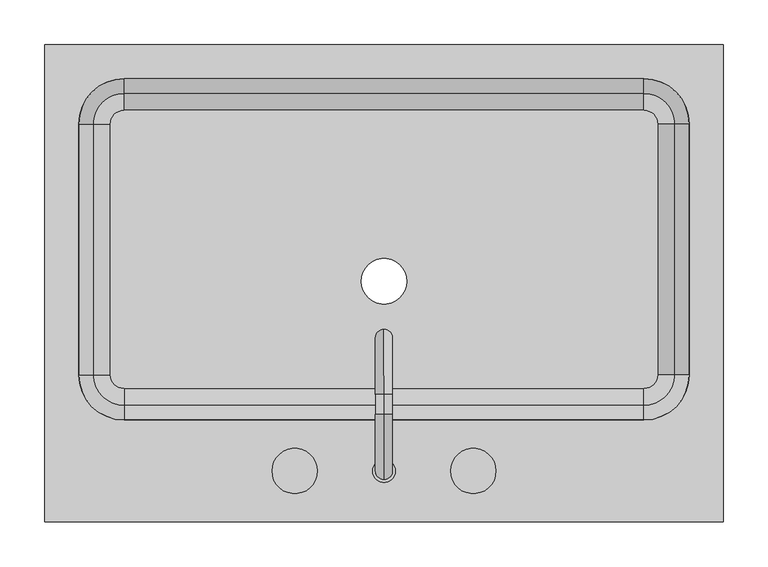
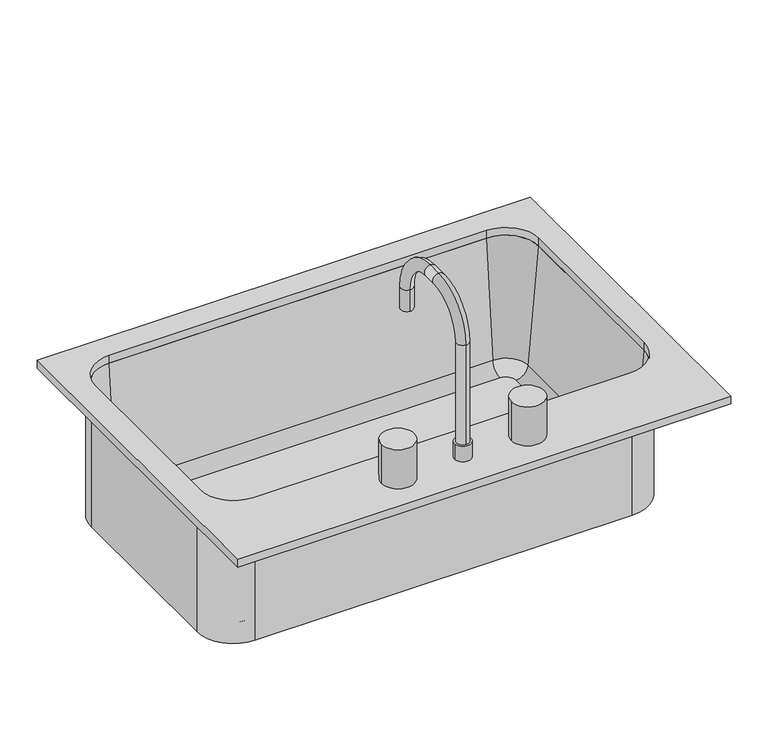
"""IFC4 building model written with IfcOpenShell, lengths in millimetres: flow terminal geometry."""

from ifc_helpers import new_model, si_unit, point, frame, frame_2d, origin, place, context, project, spatial, polyline, circle_curve, ellipse_curve, trimmed, segment, composite_curve, outline, extrude, source, transform, mapped, element, save
from ifc_brep_helpers import plane_surface, cylinder_surface, revolved_surface, advanced_brep


def flow_terminal_b3a6edb1(model_context):
    return source(origin(), model_context, "Body", "SolidModel", [
        advanced_brep(
        [(363.9392406, -104.7454011, 684.1), (363.9392406, -104.7454011, 900.0), (306.7892406, -161.8954011, 900.0), (306.7892406, -161.8954011, 684.1), (-275.4107594, -161.8954011, 684.1), (-332.5607594, -104.7454011, 684.1), (-332.5607594, 176.2545989, 684.1), (-275.4107594, 233.4045989, 684.1), (306.7892406, 233.4045989, 684.1), (363.9392406, 176.2545989, 684.1), (-9.7107594, 0.0, 684.1), (41.0892406, 0.0, 684.1), (322.0776588, -104.7454011, 693.625), (322.0776588, 176.2545989, 693.625), (306.7892406, 191.5430171, 693.625), (-275.4107594, 191.5430171, 693.625), (-290.6991776, 176.2545989, 693.625), (-290.6991776, -104.7454011, 693.625), (-275.4107594, -120.0338193, 693.625), (306.7892406, -120.0338193, 693.625), (-9.7107594, 0.0, 693.625), (41.0892406, 0.0, 693.625), (306.7892406, -139.0113283, 711.0146831), (341.0551678, -104.7454011, 711.0146831), (306.7892406, -155.5454011, 900.0), (357.5892406, -104.7454011, 900.0), (363.9392406, 176.2545989, 900.0), (341.0551678, 176.2545989, 711.0146831), (357.5892406, 176.2545989, 900.0), (306.7892406, 233.4045989, 900.0), (306.7892406, 210.5205261, 711.0146831), (306.7892406, 227.0545989, 900.0), (-275.4107594, 233.4045989, 900.0), (-275.4107594, 210.5205261, 711.0146831), (-275.4107594, 227.0545989, 900.0), (-332.5607594, 176.2545989, 900.0), (-309.6766866, 176.2545989, 711.0146831), (-326.2107594, 176.2545989, 900.0), (-332.5607594, -104.7454011, 900.0), (-309.6766866, -104.7454011, 711.0146831), (-326.2107594, -104.7454011, 900.0), (-275.4107594, -161.8954011, 900.0), (-275.4107594, -139.0113283, 711.0146831), (-275.4107594, -155.5454011, 900.0)],
        [
            (0, 1),
            (1, 2, circle_curve(frame((306.7892406, -104.7454011, 900.0), z_axis=(0.0, 0.0, -1.0), x_axis=(0.0, -1.0, 0.0)), 57.15)),
            (2, 3),
            (3, 0, circle_curve(frame((306.7892406, -104.7454011, 684.1), z_axis=(0.0, 0.0, 1.0), x_axis=(0.0, -1.0, 0.0)), 57.15)),
            (3, 4),
            (4, 5, circle_curve(frame((-275.4107594, -104.7454011, 684.1), z_axis=(0.0, 0.0, -1.0), x_axis=(-1.0, 0.0, 0.0)), 57.15)),
            (5, 6),
            (6, 7, circle_curve(frame((-275.4107594, 176.2545989, 684.1), z_axis=(0.0, 0.0, -1.0), x_axis=(0.0, 1.0, 0.0)), 57.15)),
            (7, 8),
            (8, 9, circle_curve(frame((306.7892406, 176.2545989, 684.1), z_axis=(0.0, 0.0, -1.0), x_axis=(1.0, 0.0, 0.0)), 57.15)),
            (9, 0),
            (10, 11, circle_curve(frame((15.6892406, 0.0, 684.1), z_axis=(0.0, 0.0, 1.0), x_axis=(1.0, 0.0, 0.0)), 25.4)),
            (11, 10, circle_curve(frame((15.6892406, 0.0, 684.1), z_axis=(0.0, 0.0, 1.0), x_axis=(1.0, 0.0, 0.0)), 25.4)),
            (12, 13),
            (13, 14, circle_curve(frame((306.7892406, 176.2545989, 693.625), z_axis=(0.0, 0.0, 1.0), x_axis=(1.0, 0.0, 0.0)), 15.2884182)),
            (14, 15),
            (15, 16, circle_curve(frame((-275.4107594, 176.2545989, 693.625), z_axis=(0.0, 0.0, 1.0), x_axis=(0.0, 1.0, 0.0)), 15.2884182)),
            (16, 17),
            (17, 18, circle_curve(frame((-275.4107594, -104.7454011, 693.625), z_axis=(0.0, 0.0, 1.0), x_axis=(-1.0, 0.0, 0.0)), 15.2884182)),
            (18, 19),
            (19, 12, circle_curve(frame((306.7892406, -104.7454011, 693.625), z_axis=(0.0, 0.0, 1.0), x_axis=(0.0, -1.0, 0.0)), 15.2884182)),
            (20, 21, circle_curve(frame((15.6892406, 0.0, 693.625), z_axis=(0.0, 0.0, -1.0), x_axis=(1.0, 0.0, 0.0)), 25.4)),
            (21, 20, circle_curve(frame((15.6892406, 0.0, 693.625), z_axis=(0.0, 0.0, -1.0), x_axis=(1.0, 0.0, 0.0)), 25.4)),
            (19, 22, circle_curve(frame((306.7892406, -120.0338193, 712.675), z_axis=(-1.0, 0.0, 0.0), x_axis=(0.0, -1.0, 0.0)), 19.05)),
            (22, 23, circle_curve(frame((306.7892406, -104.7454011, 711.0146831), z_axis=(0.0, 0.0, 1.0), x_axis=(0.0, -1.0, 0.0)), 34.2659272)),
            (23, 12, circle_curve(frame((322.0776588, -104.7454011, 712.675), z_axis=(0.0, 1.0, 0.0), x_axis=(1.0, 0.0, 0.0)), 19.05)),
            (22, 24),
            (24, 25, circle_curve(frame((306.7892406, -104.7454011, 900.0), z_axis=(0.0, 0.0, 1.0), x_axis=(0.0, -1.0, 0.0)), 50.8)),
            (25, 23),
            (1, 25),
            (24, 2),
            (9, 26),
            (26, 1),
            (23, 27),
            (27, 13, circle_curve(frame((322.0776588, 176.2545989, 712.675), z_axis=(0.0, 1.0, 0.0), x_axis=(1.0, 0.0, 0.0)), 19.05)),
            (25, 28),
            (28, 27),
            (26, 28),
            (8, 29),
            (29, 26, circle_curve(frame((306.7892406, 176.2545989, 900.0), z_axis=(0.0, 0.0, -1.0), x_axis=(1.0, 0.0, 0.0)), 57.15)),
            (27, 30, circle_curve(frame((306.7892406, 176.2545989, 711.0146831), z_axis=(0.0, 0.0, 1.0), x_axis=(1.0, 0.0, 0.0)), 34.2659272)),
            (30, 14, circle_curve(frame((306.7892406, 191.5430171, 712.675), z_axis=(-1.0, 0.0, 0.0), x_axis=(0.0, 1.0, 0.0)), 19.05)),
            (28, 31, circle_curve(frame((306.7892406, 176.2545989, 900.0), z_axis=(0.0, 0.0, 1.0), x_axis=(1.0, 0.0, 0.0)), 50.8)),
            (31, 30),
            (29, 31),
            (7, 32),
            (32, 29),
            (30, 33),
            (33, 15, circle_curve(frame((-275.4107594, 191.5430171, 712.675), z_axis=(-1.0, 0.0, 0.0), x_axis=(0.0, 1.0, 0.0)), 19.05)),
            (31, 34),
            (34, 33),
            (32, 34),
            (6, 35),
            (35, 32, circle_curve(frame((-275.4107594, 176.2545989, 900.0), z_axis=(0.0, 0.0, -1.0), x_axis=(0.0, 1.0, 0.0)), 57.15)),
            (33, 36, circle_curve(frame((-275.4107594, 176.2545989, 711.0146831), z_axis=(0.0, 0.0, 1.0), x_axis=(0.0, 1.0, 0.0)), 34.2659272)),
            (36, 16, circle_curve(frame((-290.6991776, 176.2545989, 712.675), z_axis=(0.0, -1.0, 0.0), x_axis=(-1.0, 0.0, 0.0)), 19.05)),
            (34, 37, circle_curve(frame((-275.4107594, 176.2545989, 900.0), z_axis=(0.0, 0.0, 1.0), x_axis=(0.0, 1.0, 0.0)), 50.8)),
            (37, 36),
            (35, 37),
            (5, 38),
            (38, 35),
            (36, 39),
            (39, 17, circle_curve(frame((-290.6991776, -104.7454011, 712.675), z_axis=(0.0, -1.0, 0.0), x_axis=(-1.0, 0.0, 0.0)), 19.05)),
            (37, 40),
            (40, 39),
            (38, 40),
            (4, 41),
            (41, 38, circle_curve(frame((-275.4107594, -104.7454011, 900.0), z_axis=(0.0, 0.0, -1.0), x_axis=(-1.0, 0.0, 0.0)), 57.15)),
            (39, 42, circle_curve(frame((-275.4107594, -104.7454011, 711.0146831), z_axis=(0.0, 0.0, 1.0), x_axis=(-1.0, 0.0, 0.0)), 34.2659272)),
            (42, 18, circle_curve(frame((-275.4107594, -120.0338193, 712.675), z_axis=(1.0, 0.0, 0.0), x_axis=(0.0, -1.0, 0.0)), 19.05)),
            (40, 43, circle_curve(frame((-275.4107594, -104.7454011, 900.0), z_axis=(0.0, 0.0, 1.0), x_axis=(-1.0, 0.0, 0.0)), 50.8)),
            (43, 42),
            (41, 43),
            (2, 41),
            (42, 22),
            (43, 24),
            (21, 11),
            (10, 20),
        ],
        [
            cylinder_surface(frame((306.7892406, -104.7454011, 0.0), z_axis=(0.0, 0.0, -1.0), x_axis=(0.0, -1.0, 0.0)), 57.15),
            plane_surface(frame((306.7892406, -104.7454011, 684.1), z_axis=(0.0, 0.0, -1.0), x_axis=(0.0, -1.0, 0.0))),
            plane_surface(frame((306.7892406, -104.7454011, 693.625), z_axis=(0.0, 0.0, 1.0), x_axis=(0.0, -1.0, 0.0))),
            revolved_surface(trimmed(ellipse_curve(frame((306.7892406, -120.0338193, 712.675), z_axis=(-1.0, 0.0, 0.0), x_axis=(0.0, -1.0, 0.0)), 19.05, 19.05), [point((306.7892406, -120.0338193, 693.625))], [point((306.7892406, -139.0113283, 711.0146831))], True, "CARTESIAN"), (306.7892406, -104.7454011, 0.0), (0.0, 0.0, -1.0)),
            revolved_surface(polyline([(306.7892406, -139.0113283, 711.0146831), (306.7892406, -155.5454011, 900.0)]), (306.7892406, -104.7454011, 0.0), (0.0, 0.0, -1.0)),
            plane_surface(frame((306.7892406, -104.7454011, 900.0), z_axis=(0.0, 0.0, 1.0), x_axis=(0.0, -1.0, 0.0))),
            plane_surface(frame((363.9392406, -104.7454011, 900.0), z_axis=(1.0, 0.0, 0.0), x_axis=(0.0, 1.0, 0.0))),
            revolved_surface(polyline([(341.1276588, 176.25459890000002, 712.675), (341.1276588, -104.7454011, 712.675)]), (322.0776588, -104.7454011, 712.675), (0.0, 1.0, 0.0)),
            plane_surface(frame((341.0551678, -104.7454011, 711.0146831), z_axis=(-0.9961946980917443, 0.0, 0.08715574274767235), x_axis=(0.0, 1.0, 0.0))),
            plane_surface(frame((357.5892406, -104.7454011, 900.0), z_axis=(0.0, 0.0, 1.0), x_axis=(0.0, 1.0, 0.0))),
            cylinder_surface(frame((306.7892406, 176.2545989, 0.0), z_axis=(0.0, 0.0, -1.0), x_axis=(1.0, 0.0, 0.0)), 57.15),
            revolved_surface(trimmed(ellipse_curve(frame((322.0776588, 176.2545989, 712.675), z_axis=(0.0, -1.0, 0.0), x_axis=(1.0, 0.0, 0.0)), 19.05, 19.05), [point((322.0776588, 176.2545989, 693.625))], [point((341.0551678, 176.2545989, 711.0146831))], True, "CARTESIAN"), (306.7892406, 176.2545989, 0.0), (0.0, 0.0, -1.0)),
            revolved_surface(polyline([(341.0551678, 176.2545989, 711.0146831), (357.5892406, 176.2545989, 900.0)]), (306.7892406, 176.2545989, 0.0), (0.0, 0.0, -1.0)),
            plane_surface(frame((306.7892406, 176.2545989, 900.0), z_axis=(0.0, 0.0, 1.0), x_axis=(1.0, 0.0, 0.0))),
            plane_surface(frame((306.7892406, 233.4045989, 900.0), z_axis=(0.0, 1.0, 0.0), x_axis=(-1.0, 0.0, 0.0))),
            revolved_surface(polyline([(-275.4107594, 210.5930171, 712.675), (306.7892406, 210.5930171, 712.675)]), (306.7892406, 191.5430171, 712.675), (-1.0, 0.0, 0.0)),
            plane_surface(frame((306.7892406, 210.5205261, 711.0146831), z_axis=(0.0, -0.9961946980917443, 0.08715574274767235), x_axis=(-1.0, 0.0, 0.0))),
            plane_surface(frame((306.7892406, 227.0545989, 900.0), z_axis=(0.0, 0.0, 1.0), x_axis=(-1.0, 0.0, 0.0))),
            cylinder_surface(frame((-275.4107594, 176.2545989, 0.0), z_axis=(0.0, 0.0, -1.0), x_axis=(0.0, 1.0, 0.0)), 57.15),
            revolved_surface(trimmed(ellipse_curve(frame((-275.4107594, 191.5430171, 712.675), z_axis=(1.0, 0.0, 0.0), x_axis=(0.0, 1.0, 0.0)), 19.05, 19.05), [point((-275.4107594, 191.5430171, 693.625))], [point((-275.4107594, 210.5205261, 711.0146831))], True, "CARTESIAN"), (-275.4107594, 176.2545989, 0.0), (0.0, 0.0, -1.0)),
            revolved_surface(polyline([(-275.4107594, 210.5205261, 711.0146831), (-275.4107594, 227.0545989, 900.0)]), (-275.4107594, 176.2545989, 0.0), (0.0, 0.0, -1.0)),
            plane_surface(frame((-275.4107594, 176.2545989, 900.0), z_axis=(0.0, 0.0, 1.0), x_axis=(0.0, 1.0, 0.0))),
            plane_surface(frame((-332.5607594, 176.2545989, 900.0), z_axis=(-1.0, 0.0, 0.0), x_axis=(0.0, -1.0, 0.0))),
            revolved_surface(polyline([(-309.7491776, -104.74540110000001, 712.675), (-309.7491776, 176.2545989, 712.675)]), (-290.6991776, 176.2545989, 712.675), (0.0, -1.0, 0.0)),
            plane_surface(frame((-309.6766866, 176.2545989, 711.0146831), z_axis=(0.9961946980917443, 0.0, 0.08715574274767235), x_axis=(0.0, -1.0, 0.0))),
            plane_surface(frame((-326.2107594, 176.2545989, 900.0), z_axis=(0.0, 0.0, 1.0), x_axis=(0.0, -1.0, 0.0))),
            cylinder_surface(frame((-275.4107594, -104.7454011, 0.0), z_axis=(0.0, 0.0, -1.0), x_axis=(-1.0, 0.0, 0.0)), 57.15),
            revolved_surface(trimmed(ellipse_curve(frame((-290.6991776, -104.7454011, 712.675), z_axis=(0.0, 1.0, 0.0), x_axis=(-1.0, 0.0, 0.0)), 19.05, 19.05), [point((-290.6991776, -104.7454011, 693.625))], [point((-309.6766866, -104.7454011, 711.0146831))], True, "CARTESIAN"), (-275.4107594, -104.7454011, 0.0), (0.0, 0.0, -1.0)),
            revolved_surface(polyline([(-309.6766866, -104.7454011, 711.0146831), (-326.2107594, -104.7454011, 900.0)]), (-275.4107594, -104.7454011, 0.0), (0.0, 0.0, -1.0)),
            plane_surface(frame((-275.4107594, -104.7454011, 900.0), z_axis=(0.0, 0.0, 1.0), x_axis=(-1.0, 0.0, 0.0))),
            plane_surface(frame((-275.4107594, -161.8954011, 900.0), z_axis=(0.0, -1.0, 0.0), x_axis=(1.0, 0.0, 0.0))),
            revolved_surface(polyline([(306.7892406, -139.08381930000002, 712.675), (-275.4107594, -139.08381930000002, 712.675)]), (-275.4107594, -120.0338193, 712.675), (1.0, 0.0, 0.0)),
            plane_surface(frame((-275.4107594, -139.0113283, 711.0146831), z_axis=(0.0, 0.9961946980917443, 0.08715574274767235), x_axis=(1.0, 0.0, 0.0))),
            plane_surface(frame((-275.4107594, -155.5454011, 900.0), z_axis=(0.0, 0.0, 1.0), x_axis=(1.0, 0.0, 0.0))),
            revolved_surface(polyline([(41.0892406, 0.0, 684.1), (41.0892406, 0.0, 693.625)]), (15.6892406, 0.0, 0.0), (0.0, 0.0, -1.0)),
        ],
        [
            (0, [[1, 2, 3, 4]]),
            (1, [[5, 6, 7, 8, 9, 10, 11, -4], [12, 13]]),
            (2, [[14, 15, 16, 17, 18, 19, 20, 21], [22, 23]]),
            (3, [[24, 25, 26, -21]]),
            (4, [[27, 28, 29, -25]]),
            (5, [[30, -28, 31, -2]]),
            (6, [[-11, 32, 33, -1]]),
            (7, [[34, 35, -14, -26]]),
            (8, [[36, 37, -34, -29]]),
            (9, [[-33, 38, -36, -30]]),
            (10, [[-10, 39, 40, -32]]),
            (11, [[41, 42, -15, -35]]),
            (12, [[43, 44, -41, -37]]),
            (13, [[-40, 45, -43, -38]]),
            (14, [[-9, 46, 47, -39]]),
            (15, [[48, 49, -16, -42]]),
            (16, [[50, 51, -48, -44]]),
            (17, [[-47, 52, -50, -45]]),
            (18, [[-8, 53, 54, -46]]),
            (19, [[55, 56, -17, -49]]),
            (20, [[57, 58, -55, -51]]),
            (21, [[-54, 59, -57, -52]]),
            (22, [[-7, 60, 61, -53]]),
            (23, [[62, 63, -18, -56]]),
            (24, [[64, 65, -62, -58]]),
            (25, [[-61, 66, -64, -59]]),
            (26, [[-6, 67, 68, -60]]),
            (27, [[69, 70, -19, -63]]),
            (28, [[71, 72, -69, -65]]),
            (29, [[-68, 73, -71, -66]]),
            (30, [[74, -67, -5, -3]]),
            (31, [[-20, -70, 75, -24]]),
            (32, [[-75, -72, 76, -27]]),
            (33, [[-76, -73, -74, -31]]),
            (34, [[77, -12, 78, -23]]),
            (34, [[-78, -13, -77, -22]]),
        ],
    ),
        advanced_brep(
        [(2.9892406, -212.6954011, 938.1), (28.3892406, -212.6954011, 938.1), (15.6892406, -222.2204011, 938.1), (15.6892406, -203.1704011, 938.1), (2.9892406, -212.6954011, 912.7), (28.3892406, -212.6954011, 912.7), (15.6892406, -222.2204011, 1100.025), (15.6892406, -203.1704011, 1100.025), (15.6892406, -149.1954011, 1154.0), (15.6892406, -149.1954011, 1173.05), (15.6892406, -126.9704011, 1154.0), (15.6892406, -126.9704011, 1173.05), (15.6892406, -72.9954011, 1100.025), (15.6892406, -53.9454011, 1100.025), (15.6892406, -53.9454011, 1065.1), (15.6892406, -72.9954011, 1065.1)],
        [
            (0, 1, circle_curve(frame((15.6892406, -212.6954011, 938.1), z_axis=(0.0, 0.0, 1.0), x_axis=(1.0, 0.0, 0.0)), 12.7)),
            (1, 0, circle_curve(frame((15.6892406, -212.6954011, 938.1), z_axis=(0.0, 0.0, 1.0), x_axis=(1.0, 0.0, 0.0)), 12.7)),
            (2, 3, circle_curve(frame((15.6892406, -212.6954011, 938.1), z_axis=(0.0, 0.0, -1.0), x_axis=(0.0, 1.0, 0.0)), 9.525)),
            (3, 2, circle_curve(frame((15.6892406, -212.6954011, 938.1), z_axis=(0.0, 0.0, -1.0), x_axis=(0.0, 1.0, 0.0)), 9.525)),
            (4, 5, circle_curve(frame((15.6892406, -212.6954011, 912.7), z_axis=(0.0, 0.0, -1.0), x_axis=(1.0, 0.0, 0.0)), 12.7)),
            (5, 4, circle_curve(frame((15.6892406, -212.6954011, 912.7), z_axis=(0.0, 0.0, -1.0), x_axis=(1.0, 0.0, 0.0)), 12.7)),
            (1, 5),
            (4, 0),
            (6, 2),
            (3, 7),
            (7, 6, circle_curve(frame((15.6892406, -212.6954011, 1100.025), z_axis=(0.0, 0.0, -1.0), x_axis=(0.0, 1.0, 0.0)), 9.525)),
            (6, 7, circle_curve(frame((15.6892406, -212.6954011, 1100.025), z_axis=(0.0, 0.0, -1.0), x_axis=(0.0, 1.0, 0.0)), 9.525)),
            (7, 8, circle_curve(frame((15.6892406, -149.1954011, 1100.025), z_axis=(-1.0, 0.0, 0.0), x_axis=(0.0, -1.0, 0.0)), 53.975)),
            (8, 9, circle_curve(frame((15.6892406, -149.1954011, 1163.525), z_axis=(0.0, -1.0, 0.0), x_axis=(0.0, 0.0, -1.0)), 9.525)),
            (9, 6, circle_curve(frame((15.6892406, -149.1954011, 1100.025), z_axis=(1.0, 0.0, 0.0), x_axis=(0.0, -1.0, 0.0)), 73.025)),
            (9, 8, circle_curve(frame((15.6892406, -149.1954011, 1163.525), z_axis=(0.0, -1.0, 0.0), x_axis=(0.0, 0.0, -1.0)), 9.525)),
            (8, 10),
            (10, 11, circle_curve(frame((15.6892406, -126.9704011, 1163.525), z_axis=(0.0, -1.0, 0.0), x_axis=(0.0, 0.0, -1.0)), 9.525)),
            (11, 9),
            (11, 10, circle_curve(frame((15.6892406, -126.9704011, 1163.525), z_axis=(0.0, -1.0, 0.0), x_axis=(0.0, 0.0, -1.0)), 9.525)),
            (10, 12, circle_curve(frame((15.6892406, -126.9704011, 1100.025), z_axis=(-1.0, 0.0, 0.0), x_axis=(0.0, 0.0, 1.0)), 53.975)),
            (12, 13, circle_curve(frame((15.6892406, -63.4704011, 1100.025), z_axis=(0.0, 0.0, 1.0), x_axis=(0.0, -1.0, 0.0)), 9.525)),
            (13, 11, circle_curve(frame((15.6892406, -126.9704011, 1100.025), z_axis=(1.0, 0.0, 0.0), x_axis=(0.0, 0.0, 1.0)), 73.025)),
            (13, 12, circle_curve(frame((15.6892406, -63.4704011, 1100.025), z_axis=(0.0, 0.0, 1.0), x_axis=(0.0, -1.0, 0.0)), 9.525)),
            (14, 15, circle_curve(frame((15.6892406, -63.4704011, 1065.1), z_axis=(0.0, 0.0, -1.0), x_axis=(0.0, -1.0, 0.0)), 9.525)),
            (15, 14, circle_curve(frame((15.6892406, -63.4704011, 1065.1), z_axis=(0.0, 0.0, -1.0), x_axis=(0.0, -1.0, 0.0)), 9.525)),
            (12, 15),
            (14, 13),
        ],
        [
            plane_surface(frame((28.3892406, -212.6954011, 938.1), z_axis=(0.0, 0.0, 1.0), x_axis=(0.0, -1.0, 0.0))),
            plane_surface(frame((28.3892406, -212.6954011, 912.7), z_axis=(0.0, 0.0, -1.0), x_axis=(0.0, 1.0, 0.0))),
            cylinder_surface(frame((15.6892406, -212.6954011, 912.7), z_axis=(0.0, 0.0, 1.0), x_axis=(1.0, 0.0, 0.0)), 12.7),
            cylinder_surface(frame((15.6892406, -212.6954011, 912.7), z_axis=(0.0, 0.0, -1.0), x_axis=(0.0, 1.0, 0.0)), 9.525),
            revolved_surface(trimmed(ellipse_curve(frame((15.6892406, -212.6954011, 1100.025), z_axis=(0.0, 0.0, 1.0), x_axis=(0.0, 1.0, 0.0)), 9.525, 9.525), [point((15.6892406, -222.2204011, 1100.025))], [point((15.6892406, -203.1704011, 1100.025))], True, "CARTESIAN"), (15.6892406, -149.1954011, 1100.025), (1.0, 0.0, 0.0)),
            revolved_surface(trimmed(ellipse_curve(frame((15.6892406, -212.6954011, 1100.025), z_axis=(0.0, 0.0, 1.0), x_axis=(0.0, 1.0, 0.0)), 9.525, 9.525), [point((15.6892406, -203.1704011, 1100.025))], [point((15.6892406, -222.2204011, 1100.025))], True, "CARTESIAN"), (15.6892406, -149.1954011, 1100.025), (1.0, 0.0, 0.0)),
            cylinder_surface(frame((15.6892406, -149.1954011, 1163.525), z_axis=(0.0, -1.0, 0.0), x_axis=(0.0, 0.0, -1.0)), 9.525),
            revolved_surface(trimmed(ellipse_curve(frame((15.6892406, -126.9704011, 1163.525), z_axis=(0.0, 1.0, 0.0), x_axis=(0.0, 0.0, -1.0)), 9.525, 9.525), [point((15.6892406, -126.9704011, 1173.05))], [point((15.6892406, -126.9704011, 1154.0))], True, "CARTESIAN"), (15.6892406, -126.9704011, 1100.025), (1.0, 0.0, 0.0)),
            revolved_surface(trimmed(ellipse_curve(frame((15.6892406, -126.9704011, 1163.525), z_axis=(0.0, 1.0, 0.0), x_axis=(0.0, 0.0, -1.0)), 9.525, 9.525), [point((15.6892406, -126.9704011, 1154.0))], [point((15.6892406, -126.9704011, 1173.05))], True, "CARTESIAN"), (15.6892406, -126.9704011, 1100.025), (1.0, 0.0, 0.0)),
            plane_surface(frame((15.6892406, -53.9454011, 1065.1), z_axis=(0.0, 0.0, -1.0), x_axis=(-1.0, 0.0, 0.0))),
            cylinder_surface(frame((15.6892406, -63.4704011, 1100.025), z_axis=(0.0, 0.0, 1.0), x_axis=(0.0, -1.0, 0.0)), 9.525),
        ],
        [
            (0, [[1, 2], [3, 4]]),
            (1, [[5, 6]]),
            (2, [[7, -5, 8, -2]]),
            (2, [[-8, -6, -7, -1]]),
            (3, [[9, -4, 10, 11]]),
            (3, [[-10, -3, -9, 12]]),
            (4, [[13, 14, 15, -11]]),
            (5, [[-15, 16, -13, -12]]),
            (6, [[17, 18, 19, -14]]),
            (6, [[-19, 20, -17, -16]]),
            (7, [[21, 22, 23, -18]]),
            (8, [[-23, 24, -21, -20]]),
            (9, [[25, 26]]),
            (10, [[27, -25, 28, -22]]),
            (10, [[-28, -26, -27, -24]]),
        ],
    ),
        extrude(outline(composite_curve([segment(trimmed(circle_curve(frame_2d((-84.3107594, -212.6954011)), 25.4), [point((-109.7107594, -212.6954011))], [point((-58.9107594, -212.6954011))], False, "CARTESIAN"), True, "CONTINUOUS"), segment(trimmed(circle_curve(frame_2d((-84.3107594, -212.6954011)), 25.4), [point((-58.9107594, -212.6954011))], [point((-109.7107594, -212.6954011))], False, "CARTESIAN"), True, "CONTINUOUS")], self_intersect=False)), frame((0.0, 0.0, 912.7), z_axis=(0.0, 0.0, 1.0), x_axis=(1.0, 0.0, 0.0)), (0.0, 0.0, 1.0), 63.5),
        extrude(outline(composite_curve([segment(trimmed(circle_curve(frame_2d((115.6892406, -212.6954011)), 25.4), [point((90.2892406, -212.6954011))], [point((141.0892406, -212.6954011))], False, "CARTESIAN"), True, "CONTINUOUS"), segment(trimmed(circle_curve(frame_2d((115.6892406, -212.6954011)), 25.4), [point((141.0892406, -212.6954011))], [point((90.2892406, -212.6954011))], False, "CARTESIAN"), True, "CONTINUOUS")], self_intersect=False)), frame((0.0, 0.0, 912.7), z_axis=(0.0, 0.0, 1.0), x_axis=(1.0, 0.0, 0.0)), (0.0, 0.0, 1.0), 63.5),
        extrude(outline(polyline([(395.6892406, -269.8454011), (-364.3107594, -269.8454011), (-364.3107594, 265.1545989), (395.6892406, 265.1545989), (395.6892406, -269.8454011)]), holes=[composite_curve([segment(trimmed(circle_curve(frame_2d((306.7892406, -104.7454011)), 50.8), [point((306.7892406, -155.5454011))], [point((357.5892406, -104.7454011))], True, "CARTESIAN"), True, "CONTINUOUS"), segment(polyline([(357.5892406, -104.7454011), (357.5892406, 176.2545989)]), True, "CONTINUOUS"), segment(trimmed(circle_curve(frame_2d((306.7892406, 176.2545989)), 50.8), [point((357.5892406, 176.2545989))], [point((306.7892406, 227.0545989))], True, "CARTESIAN"), True, "CONTINUOUS"), segment(polyline([(306.7892406, 227.0545989), (-275.4107594, 227.0545989)]), True, "CONTINUOUS"), segment(trimmed(circle_curve(frame_2d((-275.4107594, 176.2545989)), 50.8), [point((-275.4107594, 227.0545989))], [point((-326.2107594, 176.2545989))], True, "CARTESIAN"), True, "CONTINUOUS"), segment(polyline([(-326.2107594, 176.2545989), (-326.2107594, -104.7454011)]), True, "CONTINUOUS"), segment(trimmed(circle_curve(frame_2d((-275.4107594, -104.7454011)), 50.8), [point((-326.2107594, -104.7454011))], [point((-275.4107594, -155.5454011))], True, "CARTESIAN"), True, "CONTINUOUS"), segment(polyline([(-275.4107594, -155.5454011), (306.7892406, -155.5454011)]), True, "CONTINUOUS")], self_intersect=False)]), frame((0.0, 0.0, 900.0), z_axis=(0.0, 0.0, 1.0), x_axis=(1.0, 0.0, 0.0)), (0.0, 0.0, 1.0), 12.7),
    ])


if __name__ == "__main__":
    model = new_model("IFC4")
    model_context = context("Model", 3, world=origin())
    ifc_project = project(units=[si_unit("LENGTHUNIT", "METRE", prefix="MILLI")], contexts=[model_context])
    site = spatial("IfcSite", under=ifc_project)
    building = spatial("IfcBuilding", under=site)
    placement = place(None, origin())
    flow_terminal_shape = flow_terminal_b3a6edb1(model_context)
    element("IfcFlowTerminal", 1, at=placement, inside=building, context=model_context, shape_type="MappedRepresentation", body=[
        mapped(flow_terminal_shape, transform((0.0, 0.0, 0.0), x_axis=(1.0, 0.0, 0.0), y_axis=(0.0, 1.0, 0.0), z_axis=(0.0, 0.0, 1.0))),
    ])
    save(model, "model.ifc")
